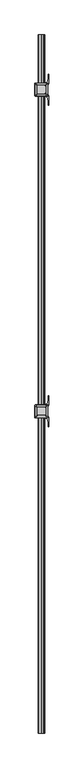
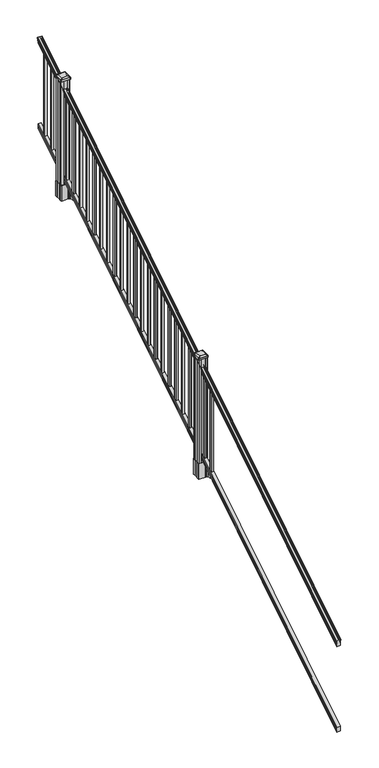
"""IFC4 building model written with IfcOpenShell, lengths in millimetres: railing geometry."""

from ifc_helpers import new_model, si_unit, point, frame, frame_2d, origin, place, context, project, spatial, polyline, circle_curve, ellipse_curve, trimmed, segment, composite_curve, outline, extrude, faceted_brep, source, transform, mapped, element, save
from ifc_brep_helpers import plane_surface, cylinder_surface, revolved_surface, extruded_surface, advanced_brep


def railing_d74df054(model_context):
    return source(origin(), model_context, "Body", "SolidModel", [
        advanced_brep(
        [(8835.6754996, -7669.8194681, 1133.2070492), (8838.2493284, -7669.8194681, 1133.2070492), (8838.2493284, -7669.8194681, 1120.6394336), (8837.2333284, -7669.8194681, 1119.441318), (8837.2333284, -7669.8194681, 1104.9), (8868.9833284, -7669.8194681, 1104.9), (8868.9833284, -7669.8194681, 1119.6274214), (8867.9673284, -7669.8194681, 1120.825537), (8867.9673284, -7669.8194681, 1133.2070492), (8870.5411571, -7669.8194681, 1133.2070492), (8870.5411571, -7669.8194681, 1135.4335658), (8871.6713434, -7669.8194681, 1137.2758543), (8871.6713434, -7669.8194681, 1145.7876358), (8871.022087, -7669.8194681, 1148.6572588), (8873.522087, -7669.8194681, 1153.7635509), (8874.9314295, -7669.8194681, 1155.7442021), (8875.3333285, -7669.8194681, 1157.0469579), (8875.3333284, -7669.8194681, 1158.6274846), (8873.7798811, -7669.8194681, 1160.4593836), (8853.1083284, -7669.8194681, 1160.4593836), (8832.4367756, -7669.8194681, 1160.4593836), (8830.8833284, -7669.8194681, 1158.6274846), (8830.8833284, -7669.8194681, 1157.0469579), (8831.2852273, -7669.8194681, 1155.7442021), (8832.6945697, -7669.8194681, 1153.7635509), (8835.1945697, -7669.8194681, 1148.6572588), (8834.5453133, -7669.8194681, 1145.7876358), (8834.5453133, -7669.8194681, 1137.2758543), (8835.6754996, -7669.8194681, 1135.4335658), (8835.6754996, -2793.0194681, 4181.2070492), (8835.6754996, -2793.0194681, 4183.4335658), (8834.5453133, -2793.0194681, 4185.2758543), (8834.5453133, -2793.0194681, 4193.7876358), (8835.1945697, -2793.0194681, 4196.6572588), (8832.6945697, -2793.0194681, 4201.7635509), (8831.2852273, -2793.0194681, 4203.7442021), (8830.8833283, -2793.0194681, 4205.0469579), (8830.8833284, -2793.0194681, 4206.6274846), (8832.4367756, -2793.0194681, 4208.4593836), (8853.1083284, -2793.0194681, 4208.4593836), (8873.7798811, -2793.0194681, 4208.4593836), (8875.3333284, -2793.0194681, 4206.6274846), (8875.3333284, -2793.0194681, 4205.0469579), (8874.9314295, -2793.0194681, 4203.7442021), (8873.522087, -2793.0194681, 4201.7635509), (8871.022087, -2793.0194681, 4196.6572588), (8871.6713434, -2793.0194681, 4193.7876358), (8871.6713434, -2793.0194681, 4185.2758543), (8870.5411571, -2793.0194681, 4183.4335658), (8870.5411571, -2793.0194681, 4181.2070492), (8867.9673284, -2793.0194681, 4181.2070492), (8867.9673284, -2793.0194681, 4168.825537), (8868.9833284, -2793.0194681, 4167.6274214), (8868.9833284, -2793.0194681, 4152.9), (8837.2333284, -2793.0194681, 4152.9), (8837.2333284, -2793.0194681, 4167.441318), (8838.2493284, -2793.0194681, 4168.6394336), (8838.2493284, -2793.0194681, 4181.2070492)],
        [
            (0, 1, ellipse_curve(frame((8836.962414, -7669.8194681, 1133.2070492), z_axis=(0.0, -1.0, 0.0), x_axis=(0.0, 0.0, -1.0)), 1.5175907, 1.2869144)),
            (1, 2),
            (2, 3),
            (3, 4),
            (4, 5),
            (5, 6),
            (6, 7),
            (7, 8),
            (8, 9, ellipse_curve(frame((8869.2542427, -7669.8194681, 1133.2070492), z_axis=(0.0, -1.0, 0.0), x_axis=(0.0, 0.0, -1.0)), 1.5175907, 1.2869144)),
            (9, 10),
            (10, 11, ellipse_curve(frame((8864.2264038, -7669.8194681, 1142.2239405), z_axis=(0.0, -1.0, 0.0), x_axis=(0.0, 0.0, -1.0)), 10.0777926, 8.545951)),
            (11, 12, ellipse_curve(frame((8864.6634668, -7669.8194681, 1141.5317451), z_axis=(0.0, -1.0, 0.0), x_axis=(0.0, 0.0, -1.0)), 9.2955186, 7.882584)),
            (12, 13, ellipse_curve(frame((8875.1767909, -7669.8194681, 1148.4275077), z_axis=(0.0, 1.0, 0.0), x_axis=(0.0, 0.0, 1.0)), 4.9048088, 4.1592695)),
            (13, 14, ellipse_curve(frame((8876.4640975, -7669.8194681, 1148.3563208), z_axis=(0.0, 1.0, 0.0), x_axis=(0.0, 0.0, 1.0)), 6.4245301, 5.4479907)),
            (14, 15, ellipse_curve(frame((8875.230939, -7669.8194681, 1153.7602333), z_axis=(0.0, 1.0, 0.0), x_axis=(0.0, 0.0, 1.0)), 2.0151625, 1.7088543)),
            (15, 16, ellipse_curve(frame((8873.6140389, -7669.8194681, 1157.0469579), z_axis=(0.0, -1.0, 0.0), x_axis=(0.0, 0.0, -1.0)), 2.0274681, 1.7192895)),
            (16, 17),
            (17, 18, ellipse_curve(frame((8873.7798811, -7669.8194681, 1158.6274846), z_axis=(0.0, -1.0, 0.0), x_axis=(0.0, 0.0, -1.0)), 1.831899, 1.5534472)),
            (18, 19),
            (19, 20),
            (20, 21, ellipse_curve(frame((8832.4367756, -7669.8194681, 1158.6274846), z_axis=(0.0, -1.0, 0.0), x_axis=(0.0, 0.0, -1.0)), 1.831899, 1.5534472)),
            (21, 22),
            (22, 23, ellipse_curve(frame((8832.6026178, -7669.8194681, 1157.0469579), z_axis=(0.0, -1.0, 0.0), x_axis=(0.0, 0.0, -1.0)), 2.0274681, 1.7192895)),
            (23, 24, ellipse_curve(frame((8830.9857177, -7669.8194681, 1153.7602333), z_axis=(0.0, 1.0, 0.0), x_axis=(0.0, 0.0, 1.0)), 2.0151625, 1.7088543)),
            (24, 25, ellipse_curve(frame((8829.7525593, -7669.8194681, 1148.3563208), z_axis=(0.0, 1.0, 0.0), x_axis=(0.0, 0.0, 1.0)), 6.4245301, 5.4479907)),
            (25, 26, ellipse_curve(frame((8831.0398658, -7669.8194681, 1148.4275077), z_axis=(0.0, 1.0, 0.0), x_axis=(0.0, 0.0, 1.0)), 4.9048088, 4.1592695)),
            (26, 27, ellipse_curve(frame((8841.55319, -7669.8194681, 1141.5317451), z_axis=(0.0, -1.0, 0.0), x_axis=(0.0, 0.0, -1.0)), 9.2955186, 7.882584)),
            (27, 28, ellipse_curve(frame((8841.9902529, -7669.8194681, 1142.2239405), z_axis=(0.0, -1.0, 0.0), x_axis=(0.0, 0.0, -1.0)), 10.0777926, 8.545951)),
            (28, 0),
            (29, 30),
            (30, 31, ellipse_curve(frame((8841.9902529, -2793.0194681, 4190.2239405), z_axis=(0.0, 1.0, 0.0), x_axis=(0.0, 0.0, -1.0)), 10.0777926, 8.545951)),
            (31, 32, ellipse_curve(frame((8841.55319, -2793.0194681, 4189.5317451), z_axis=(0.0, 1.0, 0.0), x_axis=(0.0, 0.0, -1.0)), 9.2955186, 7.882584)),
            (32, 33, ellipse_curve(frame((8831.0398658, -2793.0194681, 4196.4275077), z_axis=(0.0, -1.0, 0.0), x_axis=(0.0, 0.0, 1.0)), 4.9048088, 4.1592695)),
            (33, 34, ellipse_curve(frame((8829.7525593, -2793.0194681, 4196.3563208), z_axis=(0.0, -1.0, 0.0), x_axis=(0.0, 0.0, 1.0)), 6.4245301, 5.4479907)),
            (34, 35, ellipse_curve(frame((8830.9857177, -2793.0194681, 4201.7602333), z_axis=(0.0, -1.0, 0.0), x_axis=(0.0, 0.0, 1.0)), 2.0151625, 1.7088543)),
            (35, 36, ellipse_curve(frame((8832.6026178, -2793.0194681, 4205.0469579), z_axis=(0.0, 1.0, 0.0), x_axis=(0.0, 0.0, -1.0)), 2.0274681, 1.7192895)),
            (36, 37),
            (37, 38, ellipse_curve(frame((8832.4367756, -2793.0194681, 4206.6274846), z_axis=(0.0, 1.0, 0.0), x_axis=(0.0, 0.0, -1.0)), 1.831899, 1.5534472)),
            (38, 39),
            (39, 40),
            (40, 41, ellipse_curve(frame((8873.7798811, -2793.0194681, 4206.6274846), z_axis=(0.0, 1.0, 0.0), x_axis=(0.0, 0.0, -1.0)), 1.831899, 1.5534472)),
            (41, 42),
            (42, 43, ellipse_curve(frame((8873.6140389, -2793.0194681, 4205.0469579), z_axis=(0.0, 1.0, 0.0), x_axis=(0.0, 0.0, -1.0)), 2.0274681, 1.7192895)),
            (43, 44, ellipse_curve(frame((8875.230939, -2793.0194681, 4201.7602333), z_axis=(0.0, -1.0, 0.0), x_axis=(0.0, 0.0, 1.0)), 2.0151625, 1.7088543)),
            (44, 45, ellipse_curve(frame((8876.4640975, -2793.0194681, 4196.3563208), z_axis=(0.0, -1.0, 0.0), x_axis=(0.0, 0.0, 1.0)), 6.4245301, 5.4479907)),
            (45, 46, ellipse_curve(frame((8875.1767909, -2793.0194681, 4196.4275077), z_axis=(0.0, -1.0, 0.0), x_axis=(0.0, 0.0, 1.0)), 4.9048088, 4.1592695)),
            (46, 47, ellipse_curve(frame((8864.6634668, -2793.0194681, 4189.5317451), z_axis=(0.0, 1.0, 0.0), x_axis=(0.0, 0.0, -1.0)), 9.2955186, 7.882584)),
            (47, 48, ellipse_curve(frame((8864.2264038, -2793.0194681, 4190.2239405), z_axis=(0.0, 1.0, 0.0), x_axis=(0.0, 0.0, -1.0)), 10.0777926, 8.545951)),
            (48, 49),
            (49, 50, ellipse_curve(frame((8869.2542427, -2793.0194681, 4181.2070492), z_axis=(0.0, 1.0, 0.0), x_axis=(0.0, 0.0, -1.0)), 1.5175907, 1.2869144)),
            (50, 51),
            (51, 52),
            (52, 53),
            (53, 54),
            (54, 55),
            (55, 56),
            (56, 57),
            (57, 29, ellipse_curve(frame((8836.962414, -2793.0194681, 4181.2070492), z_axis=(0.0, 1.0, 0.0), x_axis=(0.0, 0.0, -1.0)), 1.5175907, 1.2869144)),
            (28, 30),
            (29, 0),
            (27, 31),
            (26, 32),
            (25, 33),
            (24, 34),
            (23, 35),
            (22, 36),
            (21, 37),
            (20, 38),
            (19, 39),
            (18, 40),
            (17, 41),
            (16, 42),
            (15, 43),
            (14, 44),
            (13, 45),
            (12, 46),
            (11, 47),
            (10, 48),
            (9, 49),
            (8, 50),
            (7, 51),
            (6, 52),
            (5, 53),
            (4, 54),
            (3, 55),
            (2, 56),
            (1, 57),
        ],
        [
            plane_surface(frame((8853.1083284, -7669.8194681, 1104.9), z_axis=(0.0, -1.0, 0.0), x_axis=(0.0, 0.0, 1.0))),
            plane_surface(frame((8853.1083284, -2793.0194681, 4152.9), z_axis=(0.0, 1.0, 0.0), x_axis=(0.0, 0.0, 1.0))),
            plane_surface(frame((8835.6754996, -7669.8194681, 1135.4335658), z_axis=(-1.0, 0.0, 0.0), x_axis=(0.0, 0.8479983040051254, 0.5299989400031202))),
            cylinder_surface(frame((8841.9902529, -7686.5942728, 1131.7396876), z_axis=(0.0, -0.8479983040051254, -0.5299989400031202), x_axis=(1.0, 0.0, 0.0)), 8.545951),
            cylinder_surface(frame((8841.55319, -7686.2831737, 1131.241929), z_axis=(0.0, -0.8479983040051254, -0.5299989400031202), x_axis=(1.0, 0.0, 0.0)), 7.882584),
            revolved_surface(polyline([(8835.1991353, -2790.8150596503465, 4197.805262980553), (8835.1991353, -7672.023876549438, 1147.0497524190998)]), (8831.0398658, -7689.3823929, 1136.2006797), (0.0, 0.8479983040051254, 0.5299989400031202)),
            revolved_surface(polyline([(8835.20055, -2790.132038835739, 4198.160964077182), (8835.20055, -7672.7068973528085, 1146.5516775044932)]), (8829.7525593, -7689.3503988, 1136.1494891), (0.0, 0.8479983040051254, 0.5299989400031202)),
            revolved_surface(polyline([(8832.694572, -2792.113777099782, 4202.326290199655), (8832.694572, -7670.725159122471, 1153.1941764359535)]), (8830.9857177, -7691.7791235, 1140.0354487), (0.0, 0.8479983040051254, 0.5299989400031202)),
            cylinder_surface(frame((8832.6026178, -7693.2563031, 1142.398936), z_axis=(0.0, -0.8479983040051254, -0.5299989400031202), x_axis=(1.0, 0.0, 0.0)), 1.7192895),
            plane_surface(frame((8830.8833284, -7669.8194681, 1158.6274846), z_axis=(-1.0, 0.0, 0.0), x_axis=(0.0, 0.8479983040051254, 0.5299989400031202))),
            cylinder_surface(frame((8832.4367756, -7693.9666522, 1143.5354945), z_axis=(0.0, -0.8479983040051254, -0.5299989400031202), x_axis=(1.0, 0.0, 0.0)), 1.5534472),
            plane_surface(frame((8853.1083284, -7669.8194681, 1160.4593836), z_axis=(0.0, -0.5299989400031202, 0.8479983040051254), x_axis=(0.0, 0.8479983040051254, 0.5299989400031202))),
            plane_surface(frame((8873.7798811, -7669.8194681, 1160.4593836), z_axis=(0.0, -0.5299989400031202, 0.8479983040051254), x_axis=(0.0, 0.8479983040051254, 0.5299989400031202))),
            cylinder_surface(frame((8873.7798811, -7693.9666522, 1143.5354945), z_axis=(0.0, -0.8479983040051254, -0.5299989400031202), x_axis=(-1.0, 0.0, 0.0)), 1.5534472),
            plane_surface(frame((8875.3333284, -7669.8194681, 1157.0469579), z_axis=(1.0, 0.0, 0.0), x_axis=(0.0, 0.8479983040051254, 0.5299989400031202))),
            cylinder_surface(frame((8873.6140389, -7693.2563031, 1142.398936), z_axis=(0.0, -0.8479983040051254, -0.5299989400031202), x_axis=(-1.0, 0.0, 0.0)), 1.7192895),
            revolved_surface(polyline([(8873.522084699998, -2792.113777099782, 4202.326290199655), (8873.522084699998, -7670.725159122471, 1153.1941764359535)]), (8875.230939, -7691.7791235, 1140.0354487), (0.0, 0.8479983040051254, 0.5299989400031202)),
            revolved_surface(polyline([(8871.0161068, -2790.132038835739, 4198.160964077182), (8871.0161068, -7672.7068973528085, 1146.5516775044932)]), (8876.4640975, -7689.3503988, 1136.1494891), (0.0, 0.8479983040051254, 0.5299989400031202)),
            revolved_surface(polyline([(8871.0175214, -2790.8150596503465, 4197.805262980553), (8871.0175214, -7672.023876549438, 1147.0497524190998)]), (8875.1767909, -7689.3823929, 1136.2006797), (0.0, 0.8479983040051254, 0.5299989400031202)),
            cylinder_surface(frame((8864.6634668, -7686.2831737, 1131.241929), z_axis=(0.0, -0.8479983040051254, -0.5299989400031202), x_axis=(-1.0, 0.0, 0.0)), 7.882584),
            cylinder_surface(frame((8864.2264038, -7686.5942728, 1131.7396876), z_axis=(0.0, -0.8479983040051254, -0.5299989400031202), x_axis=(-1.0, 0.0, 0.0)), 8.545951),
            plane_surface(frame((8870.5411571, -7669.8194681, 1133.2070492), z_axis=(1.0, 0.0, 0.0), x_axis=(0.0, 0.8479983040051254, 0.5299989400031202))),
            cylinder_surface(frame((8869.2542427, -7682.5417374, 1125.2556309), z_axis=(0.0, -0.8479983040051254, -0.5299989400031202), x_axis=(-1.0, 0.0, 0.0)), 1.2869144),
            plane_surface(frame((8867.9673284, -7669.8194681, 1120.825537), z_axis=(1.0, 0.0, 0.0), x_axis=(0.0, 0.8479983040051254, 0.5299989400031202))),
            plane_surface(frame((8868.9833284, -7669.8194681, 1119.6274214), z_axis=(0.7071067811865426, -0.3747658444978919, 0.5996253511967194), x_axis=(0.0, 0.8479983040051254, 0.5299989400031202))),
            plane_surface(frame((8868.9833284, -7669.8194681, 1104.9), z_axis=(1.0, 0.0, 0.0), x_axis=(0.0, 0.8479983040051254, 0.5299989400031202))),
            plane_surface(frame((8837.2333284, -7669.8194681, 1104.9), z_axis=(0.0, 0.5299989400031202, -0.8479983040051254), x_axis=(0.0, 0.8479983040051254, 0.5299989400031202))),
            plane_surface(frame((8837.2333284, -7669.8194681, 1119.441318), z_axis=(-1.0, 0.0, 0.0), x_axis=(0.0, 0.8479983040051254, 0.5299989400031202))),
            plane_surface(frame((8838.2493284, -7669.8194681, 1120.6394336), z_axis=(-0.7071067811865401, -0.3747658444978916, 0.5996253511967223), x_axis=(0.0, 0.8479983040051254, 0.5299989400031202))),
            plane_surface(frame((8838.2493284, -7669.8194681, 1133.2070492), z_axis=(-1.0, 0.0, 0.0), x_axis=(0.0, 0.8479983040051254, 0.5299989400031202))),
            cylinder_surface(frame((8836.962414, -7682.5417374, 1125.2556309), z_axis=(0.0, -0.8479983040051254, -0.5299989400031202), x_axis=(1.0, 0.0, 0.0)), 1.2869144),
        ],
        [
            (0, [[1, 2, 3, 4, 5, 6, 7, 8, 9, 10, 11, 12, 13, 14, 15, 16, 17, 18, 19, 20, 21, 22, 23, 24, 25, 26, 27, 28, 29]]),
            (1, [[30, 31, 32, 33, 34, 35, 36, 37, 38, 39, 40, 41, 42, 43, 44, 45, 46, 47, 48, 49, 50, 51, 52, 53, 54, 55, 56, 57, 58]]),
            (2, [[-29, 59, -30, 60]]),
            (3, [[-28, 61, -31, -59]]),
            (4, [[-27, 62, -32, -61]]),
            (5, [[-26, 63, -33, -62]]),
            (6, [[-25, 64, -34, -63]]),
            (7, [[-24, 65, -35, -64]]),
            (8, [[-23, 66, -36, -65]]),
            (9, [[-22, 67, -37, -66]]),
            (10, [[-21, 68, -38, -67]]),
            (11, [[-20, 69, -39, -68]]),
            (12, [[-19, 70, -40, -69]]),
            (13, [[-18, 71, -41, -70]]),
            (14, [[-17, 72, -42, -71]]),
            (15, [[-16, 73, -43, -72]]),
            (16, [[-15, 74, -44, -73]]),
            (17, [[-14, 75, -45, -74]]),
            (18, [[-13, 76, -46, -75]]),
            (19, [[-12, 77, -47, -76]]),
            (20, [[-11, 78, -48, -77]]),
            (21, [[-10, 79, -49, -78]]),
            (22, [[-9, 80, -50, -79]]),
            (23, [[-8, 81, -51, -80]]),
            (24, [[-7, 82, -52, -81]]),
            (25, [[-6, 83, -53, -82]]),
            (26, [[-5, 84, -54, -83]]),
            (27, [[-4, 85, -55, -84]]),
            (28, [[-3, 86, -56, -85]]),
            (29, [[-2, 87, -57, -86]]),
            (30, [[-1, -60, -58, -87]]),
        ],
    ),
        faceted_brep([(8837.1958415, -7669.8194681, 268.8045079), (8837.1958415, -7669.8194681, 254.0), (8868.9458415, -7669.8194681, 254.0), (8868.9458415, -7669.8194681, 268.7848772), (8867.9298415, -7669.8194681, 270.3748303), (8867.9298415, -7669.8194681, 282.5348741), (8868.9458415, -7669.8194681, 284.1248272), (8868.9458415, -7669.8194681, 298.9244744), (8837.1958415, -7669.8194681, 298.9244744), (8837.1958415, -7669.8194681, 284.1444579), (8838.2118415, -7669.8194681, 282.5545048), (8838.2118415, -7669.8194681, 270.338026), (8837.1958415, -2793.0194681, 3316.8045079), (8838.2118415, -2793.0194681, 3318.338026), (8838.2118415, -2793.0194681, 3330.5545048), (8837.1958415, -2793.0194681, 3332.1444579), (8837.1958415, -2793.0194681, 3346.9244744), (8868.9458415, -2793.0194681, 3346.9244744), (8868.9458415, -2793.0194681, 3332.1248272), (8867.9298415, -2793.0194681, 3330.5348741), (8867.9298415, -2793.0194681, 3318.3748303), (8868.9458415, -2793.0194681, 3316.7848772), (8868.9458415, -2793.0194681, 3302.0), (8837.1958415, -2793.0194681, 3302.0)], [[[0, 1, 2, 3, 4, 5, 6, 7, 8, 9, 10, 11]], [[12, 13, 14, 15, 16, 17, 18, 19, 20, 21, 22, 23]], [[0, 11, 13, 12]], [[11, 10, 14, 13]], [[10, 9, 15, 14]], [[9, 8, 16, 15]], [[8, 7, 17, 16]], [[7, 6, 18, 17]], [[6, 5, 19, 18]], [[5, 4, 20, 19]], [[4, 3, 21, 20]], [[3, 2, 22, 21]], [[2, 1, 23, 22]], [[1, 0, 12, 23]]]),
        extrude(outline(polyline([(8843.5833284, -2895.2544681), (8843.5833284, -2876.2044681), (8862.6333284, -2876.2044681), (8862.6333284, -2895.2544681), (8843.5833284, -2895.2544681)]), holes=[polyline([(8843.9802034, -2894.8575931), (8862.2364534, -2894.8575931), (8862.2364534, -2876.6013431), (8843.9802034, -2876.6013431), (8843.9802034, -2894.8575931)])]), frame((0.0, 0.0, 3282.1521281), z_axis=(0.0, 0.0, 1.0), x_axis=(1.0, 0.0, 0.0)), (0.0, 0.0, 1.0), 812.8041219),
        extrude(outline(polyline([(8843.5833284, -3006.5064681), (8843.5833284, -2987.4564681), (8862.6333284, -2987.4564681), (8862.6333284, -3006.5064681), (8843.5833284, -3006.5064681)]), holes=[polyline([(8843.9802034, -3006.1095931), (8862.2364534, -3006.1095931), (8862.2364534, -2987.8533431), (8843.9802034, -2987.8533431), (8843.9802034, -3006.1095931)])]), frame((0.0, 0.0, 3212.6196281), z_axis=(0.0, 0.0, 1.0), x_axis=(1.0, 0.0, 0.0)), (0.0, 0.0, 1.0), 812.8041219),
        extrude(outline(polyline([(8843.5833284, -3117.7584681), (8843.5833284, -3098.7084681), (8862.6333284, -3098.7084681), (8862.6333284, -3117.7584681), (8843.5833284, -3117.7584681)]), holes=[polyline([(8843.9802034, -3117.3615931), (8862.2364534, -3117.3615931), (8862.2364534, -3099.1053431), (8843.9802034, -3099.1053431), (8843.9802034, -3117.3615931)])]), frame((0.0, 0.0, 3143.0871281), z_axis=(0.0, 0.0, 1.0), x_axis=(1.0, 0.0, 0.0)), (0.0, 0.0, 1.0), 812.8041219),
        extrude(outline(composite_curve([segment(polyline([(8810.3728284, -3192.421563), (8810.3728284, -3157.6493732), (8808.7853284, -3156.8873732), (8808.7853284, -3134.0854452), (8812.1583054, -3130.7124681), (8873.6179763, -3130.7124681), (8873.6179763, -3129.7917181), (8878.9355201, -3129.7917181), (8878.9355201, -3128.3374634), (8884.0200498, -3128.3374634), (8884.0200498, -3127.0534396), (8885.6873221, -3127.0534396)]), True, "CONTINUOUS"), segment(trimmed(circle_curve(frame_2d((8885.6873221, -3119.9939797)), 7.0594599), [point((8885.6873221, -3127.0534396))], [point((8892.4545849, -3122.0039864))], True, "CARTESIAN"), True, "CONTINUOUS"), segment(polyline([(8892.4545849, -3122.0039864), (8900.3287792, -3095.4932573)]), True, "CONTINUOUS"), segment(trimmed(circle_curve(frame_2d((8845.5442659, -3079.2212076)), 57.15), [point((8900.3287792, -3095.4932573))], [point((8902.6942659, -3079.2212076))], True, "CARTESIAN"), True, "CONTINUOUS"), segment(polyline([(8902.6942659, -3079.2212076), (8902.6942659, -3067.2124681), (8905.6942659, -3067.2124681), (8905.6942659, -3132.2999681), (8897.4313284, -3143.6382594), (8897.4313284, -3156.8873732), (8895.8438284, -3157.6493732), (8895.8438284, -3192.421563), (8897.4313284, -3193.183563), (8897.4313284, -3206.4326768), (8905.6942659, -3217.7709681), (8905.6942659, -3282.8584681), (8902.6942659, -3282.8584681), (8902.6942659, -3270.8497285)]), True, "CONTINUOUS"), segment(trimmed(circle_curve(frame_2d((8845.5442659, -3270.8497285)), 57.15), [point((8902.6942659, -3270.8497285))], [point((8900.3287792, -3254.5776789))], True, "CARTESIAN"), True, "CONTINUOUS"), segment(polyline([(8900.3287792, -3254.5776789), (8892.4545849, -3228.0669498)]), True, "CONTINUOUS"), segment(trimmed(circle_curve(frame_2d((8885.6873221, -3230.0769565)), 7.0594599), [point((8892.4545849, -3228.0669498))], [point((8885.6873221, -3223.0174966))], True, "CARTESIAN"), True, "CONTINUOUS"), segment(polyline([(8885.6873221, -3223.0174966), (8884.0200498, -3223.0174966), (8884.0200498, -3221.7334728), (8878.9355201, -3221.7334728), (8878.9355201, -3220.2792181), (8873.6179763, -3220.2792181), (8873.6179763, -3219.3584681), (8812.1583054, -3219.3584681), (8808.7853284, -3215.985491), (8808.7853284, -3193.183563), (8810.3728284, -3192.421563)]), True, "CONTINUOUS")], self_intersect=False), holes=[polyline([(8894.3833284, -3135.3479681), (8892.7958284, -3133.7604681), (8855.8715458, -3133.7604681), (8813.4208284, -3133.7604681), (8811.8333284, -3135.3479681), (8811.8333284, -3214.7229681), (8813.4208284, -3216.3104681), (8855.8715458, -3216.3104681), (8892.7958284, -3216.3104681), (8894.3833284, -3214.7229681), (8894.3833284, -3135.3479681)])]), frame((0.0, 0.0, 2847.34), z_axis=(0.0, 0.0, 1.0), x_axis=(1.0, 0.0, 0.0)), (0.0, 0.0, 1.0), 152.4),
        advanced_brep(
        [(8878.9052034, -3204.0073431, 4059.679263), (8882.0802034, -3200.8323431, 4059.679263), (8882.0802034, -3149.2385931, 4059.679263), (8878.9052034, -3146.0635931, 4059.679263), (8827.3114534, -3146.0635931, 4059.679263), (8824.1364534, -3149.2385931, 4059.679263), (8824.1364534, -3200.8323431, 4059.679263), (8827.3114534, -3204.0073431, 4059.679263), (8895.1770784, -3220.2792181, 4048.376263), (8811.0395784, -3220.2792181, 4048.376263), (8807.8645784, -3217.1042181, 4048.376263), (8807.8645784, -3132.9667181, 4048.376263), (8811.0395784, -3129.7917181, 4048.376263), (8895.1770784, -3129.7917181, 4048.376263), (8898.3520784, -3132.9667181, 4048.376263), (8898.3520784, -3217.1042181, 4048.376263)],
        [
            (0, 1, circle_curve(frame((8878.9052034, -3200.8323431, 4059.679263), z_axis=(0.0, 0.0, 1.0), x_axis=(0.0, 1.0, 0.0)), 3.175)),
            (1, 2),
            (2, 3, circle_curve(frame((8878.9052034, -3149.2385931, 4059.679263), z_axis=(0.0, 0.0, 1.0), x_axis=(0.0, 1.0, 0.0)), 3.175)),
            (3, 4),
            (4, 5, circle_curve(frame((8827.3114534, -3149.2385931, 4059.679263), z_axis=(0.0, 0.0, 1.0), x_axis=(0.0, 1.0, 0.0)), 3.175)),
            (5, 6),
            (6, 7, circle_curve(frame((8827.3114534, -3200.8323431, 4059.679263), z_axis=(0.0, 0.0, 1.0), x_axis=(0.0, 1.0, 0.0)), 3.175)),
            (7, 0),
            (8, 9),
            (9, 10, circle_curve(frame((8811.0395784, -3217.1042181, 4048.376263), z_axis=(0.0, 0.0, -1.0), x_axis=(0.0, 1.0, 0.0)), 3.175)),
            (10, 11),
            (11, 12, circle_curve(frame((8811.0395784, -3132.9667181, 4048.376263), z_axis=(0.0, 0.0, -1.0), x_axis=(0.0, 1.0, 0.0)), 3.175)),
            (12, 13),
            (13, 14, circle_curve(frame((8895.1770784, -3132.9667181, 4048.376263), z_axis=(0.0, 0.0, -1.0), x_axis=(0.0, 1.0, 0.0)), 3.175)),
            (14, 15),
            (15, 8, circle_curve(frame((8895.1770784, -3217.1042181, 4048.376263), z_axis=(0.0, 0.0, -1.0), x_axis=(0.0, 1.0, 0.0)), 3.175)),
            (15, 1),
            (0, 8),
            (14, 2),
            (13, 3),
            (12, 4),
            (11, 5),
            (10, 6),
            (9, 7),
        ],
        [
            plane_surface(frame((8853.1083284, -3175.0354681, 4059.679263), z_axis=(0.0, 0.0, 1.0), x_axis=(1.0, 0.0, 0.0))),
            plane_surface(frame((8853.1083284, -3175.0354681, 4048.376263), z_axis=(0.0, 0.0, -1.0), x_axis=(1.0, 0.0, 0.0))),
            extruded_surface(trimmed(circle_curve(frame((8895.1770784, -3217.1042181, 4048.376263), z_axis=(0.0, 0.0, 1.0), x_axis=(0.0, 1.0, 0.0)), 3.175), [point((8895.1770784, -3220.2792181, 4048.376263))], [point((8898.3520784, -3217.1042181, 4048.376263))], True, "CARTESIAN"), (-16.271875000000364, 16.27187499999991, 11.302999999999884), 25.637972638866284),
            plane_surface(frame((8898.3520784, -3175.0354681, 4048.376263), z_axis=(0.5705009161540778, 0.0, 0.8212969649690408), x_axis=(0.0, 1.0, 0.0))),
            extruded_surface(trimmed(circle_curve(frame((8895.1770784, -3132.9667181, 4048.376263), z_axis=(0.0, 0.0, 1.0), x_axis=(0.0, 1.0, 0.0)), 3.175), [point((8898.3520784, -3132.9667181, 4048.376263))], [point((8895.1770784, -3129.7917181, 4048.376263))], True, "CARTESIAN"), (-16.271875000000364, -16.27187499999991, 11.302999999999884), 25.637972638866284),
            plane_surface(frame((8853.1083284, -3129.7917181, 4048.376263), z_axis=(0.0, 0.5705009161540291, 0.8212969649690747), x_axis=(-1.0, 0.0, 0.0))),
            extruded_surface(trimmed(circle_curve(frame((8811.0395784, -3132.9667181, 4048.376263), z_axis=(0.0, 0.0, 1.0), x_axis=(0.0, 1.0, 0.0)), 3.175), [point((8811.0395784, -3129.7917181, 4048.376263))], [point((8807.8645784, -3132.9667181, 4048.376263))], True, "CARTESIAN"), (16.271875000000364, -16.27187499999991, 11.302999999999884), 25.637972638866284),
            plane_surface(frame((8807.8645784, -3175.0354681, 4048.376263), z_axis=(-0.5705009161540142, 0.0, 0.8212969649690851), x_axis=(0.0, -1.0, 0.0))),
            extruded_surface(trimmed(circle_curve(frame((8811.0395784, -3217.1042181, 4048.376263), z_axis=(0.0, 0.0, 1.0), x_axis=(0.0, 1.0, 0.0)), 3.175), [point((8807.8645784, -3217.1042181, 4048.376263))], [point((8811.0395784, -3220.2792181, 4048.376263))], True, "CARTESIAN"), (16.271875000000364, 16.27187499999991, 11.302999999999884), 25.637972638866284),
            plane_surface(frame((8853.1083284, -3220.2792181, 4048.376263), z_axis=(0.0, -0.570500916154034, 0.8212969649690713), x_axis=(1.0, 0.0, 0.0))),
        ],
        [
            (0, [[1, 2, 3, 4, 5, 6, 7, 8]]),
            (1, [[9, 10, 11, 12, 13, 14, 15, 16]]),
            (2, [[-16, 17, -1, 18]]),
            (3, [[-15, 19, -2, -17]]),
            (4, [[-14, 20, -3, -19]]),
            (5, [[-13, 21, -4, -20]]),
            (6, [[-12, 22, -5, -21]]),
            (7, [[-11, 23, -6, -22]]),
            (8, [[-10, 24, -7, -23]]),
            (9, [[-9, -18, -8, -24]]),
        ],
    ),
        extrude(outline(composite_curve([segment(polyline([(8895.1770784, -3220.2792181), (8811.0395784, -3220.2792181)]), True, "CONTINUOUS"), segment(trimmed(circle_curve(frame_2d((8811.0395784, -3217.1042181)), 3.175), [point((8811.0395784, -3220.2792181))], [point((8807.8645784, -3217.1042181))], False, "CARTESIAN"), True, "CONTINUOUS"), segment(polyline([(8807.8645784, -3217.1042181), (8807.8645784, -3132.9667181)]), True, "CONTINUOUS"), segment(trimmed(circle_curve(frame_2d((8811.0395784, -3132.9667181)), 3.175), [point((8807.8645784, -3132.9667181))], [point((8811.0395784, -3129.7917181))], False, "CARTESIAN"), True, "CONTINUOUS"), segment(polyline([(8811.0395784, -3129.7917181), (8895.1770784, -3129.7917181)]), True, "CONTINUOUS"), segment(trimmed(circle_curve(frame_2d((8895.1770784, -3132.9667181)), 3.175), [point((8895.1770784, -3129.7917181))], [point((8898.3520784, -3132.9667181))], False, "CARTESIAN"), True, "CONTINUOUS"), segment(polyline([(8898.3520784, -3132.9667181), (8898.3520784, -3217.1042181)]), True, "CONTINUOUS"), segment(trimmed(circle_curve(frame_2d((8895.1770784, -3217.1042181)), 3.175), [point((8898.3520784, -3217.1042181))], [point((8895.1770784, -3220.2792181))], False, "CARTESIAN"), True, "CONTINUOUS")], self_intersect=False)), frame((0.0, 0.0, 4031.104263), z_axis=(0.0, 0.0, 1.0), x_axis=(1.0, 0.0, 0.0)), (0.0, 0.0, 1.0), 17.272),
        extrude(outline(polyline([(8892.7958284, -3216.3104681), (8873.1743284, -3216.3104681), (8872.4123284, -3214.7229681), (8833.8043284, -3214.7229681), (8833.0423284, -3216.3104681), (8813.4208284, -3216.3104681), (8811.8333284, -3214.7229681), (8811.8333284, -3195.1014681), (8813.4208284, -3194.3394681), (8813.4208284, -3155.7314681), (8811.8333284, -3154.9694681), (8811.8333284, -3135.3479681), (8813.4208284, -3133.7604681), (8833.0423284, -3133.7604681), (8833.8043284, -3135.3479681), (8872.4123284, -3135.3479681), (8873.1743284, -3133.7604681), (8892.7958284, -3133.7604681), (8894.3833284, -3135.3479681), (8894.3833284, -3154.9694681), (8892.7958284, -3155.7314681), (8892.7958284, -3194.3394681), (8894.3833284, -3195.1014681), (8894.3833284, -3214.7229681), (8892.7958284, -3216.3104681)])), frame((0.0, 0.0, 2999.74), z_axis=(0.0, 0.0, 1.0), x_axis=(1.0, 0.0, 0.0)), (0.0, 0.0, 1.0), 1031.364263),
        extrude(outline(polyline([(8843.5833284, -3251.3624681), (8843.5833284, -3232.3124681), (8862.6333284, -3232.3124681), (8862.6333284, -3251.3624681), (8843.5833284, -3251.3624681)]), holes=[polyline([(8843.9802034, -3250.9655931), (8862.2364534, -3250.9655931), (8862.2364534, -3232.7093431), (8843.9802034, -3232.7093431), (8843.9802034, -3250.9655931)])]), frame((0.0, 0.0, 3059.5846281), z_axis=(0.0, 0.0, 1.0), x_axis=(1.0, 0.0, 0.0)), (0.0, 0.0, 1.0), 812.8041219),
        extrude(outline(polyline([(8843.5833284, -3362.6144681), (8843.5833284, -3343.5644681), (8862.6333284, -3343.5644681), (8862.6333284, -3362.6144681), (8843.5833284, -3362.6144681)]), holes=[polyline([(8843.9802034, -3362.2175931), (8862.2364534, -3362.2175931), (8862.2364534, -3343.9613431), (8843.9802034, -3343.9613431), (8843.9802034, -3362.2175931)])]), frame((0.0, 0.0, 2990.0521281), z_axis=(0.0, 0.0, 1.0), x_axis=(1.0, 0.0, 0.0)), (0.0, 0.0, 1.0), 812.8041219),
        extrude(outline(polyline([(8843.5833284, -3473.8664681), (8843.5833284, -3454.8164681), (8862.6333284, -3454.8164681), (8862.6333284, -3473.8664681), (8843.5833284, -3473.8664681)]), holes=[polyline([(8843.9802034, -3473.4695931), (8862.2364534, -3473.4695931), (8862.2364534, -3455.2133431), (8843.9802034, -3455.2133431), (8843.9802034, -3473.4695931)])]), frame((0.0, 0.0, 2920.5196281), z_axis=(0.0, 0.0, 1.0), x_axis=(1.0, 0.0, 0.0)), (0.0, 0.0, 1.0), 812.8041219),
        extrude(outline(polyline([(8843.5833284, -3585.1184681), (8843.5833284, -3566.0684681), (8862.6333284, -3566.0684681), (8862.6333284, -3585.1184681), (8843.5833284, -3585.1184681)]), holes=[polyline([(8843.9802034, -3584.7215931), (8862.2364534, -3584.7215931), (8862.2364534, -3566.4653431), (8843.9802034, -3566.4653431), (8843.9802034, -3584.7215931)])]), frame((0.0, 0.0, 2850.9871281), z_axis=(0.0, 0.0, 1.0), x_axis=(1.0, 0.0, 0.0)), (0.0, 0.0, 1.0), 812.8041219),
        extrude(outline(polyline([(8843.5833284, -3696.3704681), (8843.5833284, -3677.3204681), (8862.6333284, -3677.3204681), (8862.6333284, -3696.3704681), (8843.5833284, -3696.3704681)]), holes=[polyline([(8843.9802034, -3695.9735931), (8862.2364534, -3695.9735931), (8862.2364534, -3677.7173431), (8843.9802034, -3677.7173431), (8843.9802034, -3695.9735931)])]), frame((0.0, 0.0, 2781.4546281), z_axis=(0.0, 0.0, 1.0), x_axis=(1.0, 0.0, 0.0)), (0.0, 0.0, 1.0), 812.8041219),
        extrude(outline(polyline([(8843.5833284, -3807.6224681), (8843.5833284, -3788.5724681), (8862.6333284, -3788.5724681), (8862.6333284, -3807.6224681), (8843.5833284, -3807.6224681)]), holes=[polyline([(8843.9802034, -3807.2255931), (8862.2364534, -3807.2255931), (8862.2364534, -3788.9693431), (8843.9802034, -3788.9693431), (8843.9802034, -3807.2255931)])]), frame((0.0, 0.0, 2711.9221281), z_axis=(0.0, 0.0, 1.0), x_axis=(1.0, 0.0, 0.0)), (0.0, 0.0, 1.0), 812.8041219),
        extrude(outline(polyline([(8843.5833284, -3918.8744681), (8843.5833284, -3899.8244681), (8862.6333284, -3899.8244681), (8862.6333284, -3918.8744681), (8843.5833284, -3918.8744681)]), holes=[polyline([(8843.9802034, -3918.4775931), (8862.2364534, -3918.4775931), (8862.2364534, -3900.2213431), (8843.9802034, -3900.2213431), (8843.9802034, -3918.4775931)])]), frame((0.0, 0.0, 2642.3896281), z_axis=(0.0, 0.0, 1.0), x_axis=(1.0, 0.0, 0.0)), (0.0, 0.0, 1.0), 812.8041219),
        extrude(outline(polyline([(8843.5833284, -4030.1264681), (8843.5833284, -4011.0764681), (8862.6333284, -4011.0764681), (8862.6333284, -4030.1264681), (8843.5833284, -4030.1264681)]), holes=[polyline([(8843.9802034, -4029.7295931), (8862.2364534, -4029.7295931), (8862.2364534, -4011.4733431), (8843.9802034, -4011.4733431), (8843.9802034, -4029.7295931)])]), frame((0.0, 0.0, 2572.8571281), z_axis=(0.0, 0.0, 1.0), x_axis=(1.0, 0.0, 0.0)), (0.0, 0.0, 1.0), 812.8041219),
        extrude(outline(polyline([(8843.5833284, -4141.3784681), (8843.5833284, -4122.3284681), (8862.6333284, -4122.3284681), (8862.6333284, -4141.3784681), (8843.5833284, -4141.3784681)]), holes=[polyline([(8843.9802034, -4140.9815931), (8862.2364534, -4140.9815931), (8862.2364534, -4122.7253431), (8843.9802034, -4122.7253431), (8843.9802034, -4140.9815931)])]), frame((0.0, 0.0, 2503.3246281), z_axis=(0.0, 0.0, 1.0), x_axis=(1.0, 0.0, 0.0)), (0.0, 0.0, 1.0), 812.8041219),
        extrude(outline(polyline([(8843.5833284, -4252.6304681), (8843.5833284, -4233.5804681), (8862.6333284, -4233.5804681), (8862.6333284, -4252.6304681), (8843.5833284, -4252.6304681)]), holes=[polyline([(8843.9802034, -4252.2335931), (8862.2364534, -4252.2335931), (8862.2364534, -4233.9773431), (8843.9802034, -4233.9773431), (8843.9802034, -4252.2335931)])]), frame((0.0, 0.0, 2433.7921281), z_axis=(0.0, 0.0, 1.0), x_axis=(1.0, 0.0, 0.0)), (0.0, 0.0, 1.0), 812.8041219),
        extrude(outline(polyline([(8843.5833284, -4363.8824681), (8843.5833284, -4344.8324681), (8862.6333284, -4344.8324681), (8862.6333284, -4363.8824681), (8843.5833284, -4363.8824681)]), holes=[polyline([(8843.9802034, -4363.4855931), (8862.2364534, -4363.4855931), (8862.2364534, -4345.2293431), (8843.9802034, -4345.2293431), (8843.9802034, -4363.4855931)])]), frame((0.0, 0.0, 2364.2596281), z_axis=(0.0, 0.0, 1.0), x_axis=(1.0, 0.0, 0.0)), (0.0, 0.0, 1.0), 812.8041219),
        extrude(outline(polyline([(8843.5833284, -4475.1344681), (8843.5833284, -4456.0844681), (8862.6333284, -4456.0844681), (8862.6333284, -4475.1344681), (8843.5833284, -4475.1344681)]), holes=[polyline([(8843.9802034, -4474.7375931), (8862.2364534, -4474.7375931), (8862.2364534, -4456.4813431), (8843.9802034, -4456.4813431), (8843.9802034, -4474.7375931)])]), frame((0.0, 0.0, 2294.7271281), z_axis=(0.0, 0.0, 1.0), x_axis=(1.0, 0.0, 0.0)), (0.0, 0.0, 1.0), 812.8041219),
        extrude(outline(polyline([(8843.5833284, -4586.3864681), (8843.5833284, -4567.3364681), (8862.6333284, -4567.3364681), (8862.6333284, -4586.3864681), (8843.5833284, -4586.3864681)]), holes=[polyline([(8843.9802034, -4585.9895931), (8862.2364534, -4585.9895931), (8862.2364534, -4567.7333431), (8843.9802034, -4567.7333431), (8843.9802034, -4585.9895931)])]), frame((0.0, 0.0, 2225.1946281), z_axis=(0.0, 0.0, 1.0), x_axis=(1.0, 0.0, 0.0)), (0.0, 0.0, 1.0), 812.8041219),
        extrude(outline(polyline([(8843.5833284, -4697.6384681), (8843.5833284, -4678.5884681), (8862.6333284, -4678.5884681), (8862.6333284, -4697.6384681), (8843.5833284, -4697.6384681)]), holes=[polyline([(8843.9802034, -4697.2415931), (8862.2364534, -4697.2415931), (8862.2364534, -4678.9853431), (8843.9802034, -4678.9853431), (8843.9802034, -4697.2415931)])]), frame((0.0, 0.0, 2155.6621281), z_axis=(0.0, 0.0, 1.0), x_axis=(1.0, 0.0, 0.0)), (0.0, 0.0, 1.0), 812.8041219),
        extrude(outline(polyline([(8843.5833284, -4808.8904681), (8843.5833284, -4789.8404681), (8862.6333284, -4789.8404681), (8862.6333284, -4808.8904681), (8843.5833284, -4808.8904681)]), holes=[polyline([(8843.9802034, -4808.4935931), (8862.2364534, -4808.4935931), (8862.2364534, -4790.2373431), (8843.9802034, -4790.2373431), (8843.9802034, -4808.4935931)])]), frame((0.0, 0.0, 2086.1296281), z_axis=(0.0, 0.0, 1.0), x_axis=(1.0, 0.0, 0.0)), (0.0, 0.0, 1.0), 812.8041219),
        extrude(outline(polyline([(8843.5833284, -4920.1424681), (8843.5833284, -4901.0924681), (8862.6333284, -4901.0924681), (8862.6333284, -4920.1424681), (8843.5833284, -4920.1424681)]), holes=[polyline([(8843.9802034, -4919.7455931), (8862.2364534, -4919.7455931), (8862.2364534, -4901.4893431), (8843.9802034, -4901.4893431), (8843.9802034, -4919.7455931)])]), frame((0.0, 0.0, 2016.5971281), z_axis=(0.0, 0.0, 1.0), x_axis=(1.0, 0.0, 0.0)), (0.0, 0.0, 1.0), 812.8041219),
        extrude(outline(polyline([(8843.5833284, -5031.3944681), (8843.5833284, -5012.3444681), (8862.6333284, -5012.3444681), (8862.6333284, -5031.3944681), (8843.5833284, -5031.3944681)]), holes=[polyline([(8843.9802034, -5030.9975931), (8862.2364534, -5030.9975931), (8862.2364534, -5012.7413431), (8843.9802034, -5012.7413431), (8843.9802034, -5030.9975931)])]), frame((0.0, 0.0, 1947.0646281), z_axis=(0.0, 0.0, 1.0), x_axis=(1.0, 0.0, 0.0)), (0.0, 0.0, 1.0), 812.8041219),
        extrude(outline(polyline([(8843.5833284, -5142.6464681), (8843.5833284, -5123.5964681), (8862.6333284, -5123.5964681), (8862.6333284, -5142.6464681), (8843.5833284, -5142.6464681)]), holes=[polyline([(8843.9802034, -5142.2495931), (8862.2364534, -5142.2495931), (8862.2364534, -5123.9933431), (8843.9802034, -5123.9933431), (8843.9802034, -5142.2495931)])]), frame((0.0, 0.0, 1877.5321281), z_axis=(0.0, 0.0, 1.0), x_axis=(1.0, 0.0, 0.0)), (0.0, 0.0, 1.0), 812.8041219),
        extrude(outline(polyline([(8843.5833284, -5253.8984681), (8843.5833284, -5234.8484681), (8862.6333284, -5234.8484681), (8862.6333284, -5253.8984681), (8843.5833284, -5253.8984681)]), holes=[polyline([(8843.9802034, -5253.5015931), (8862.2364534, -5253.5015931), (8862.2364534, -5235.2453431), (8843.9802034, -5235.2453431), (8843.9802034, -5253.5015931)])]), frame((0.0, 0.0, 1807.9996281), z_axis=(0.0, 0.0, 1.0), x_axis=(1.0, 0.0, 0.0)), (0.0, 0.0, 1.0), 812.8041219),
        extrude(outline(polyline([(8843.5833284, -5365.1504681), (8843.5833284, -5346.1004681), (8862.6333284, -5346.1004681), (8862.6333284, -5365.1504681), (8843.5833284, -5365.1504681)]), holes=[polyline([(8843.9802034, -5364.7535931), (8862.2364534, -5364.7535931), (8862.2364534, -5346.4973431), (8843.9802034, -5346.4973431), (8843.9802034, -5364.7535931)])]), frame((0.0, 0.0, 1738.4671281), z_axis=(0.0, 0.0, 1.0), x_axis=(1.0, 0.0, 0.0)), (0.0, 0.0, 1.0), 812.8041219),
        extrude(outline(composite_curve([segment(polyline([(8810.3728284, -5439.813563), (8810.3728284, -5405.0413732), (8808.7853284, -5404.2793732), (8808.7853284, -5381.4774452), (8812.1583054, -5378.1044681), (8873.6179763, -5378.1044681), (8873.6179763, -5377.1837181), (8878.9355201, -5377.1837181), (8878.9355201, -5375.7294634), (8884.0200498, -5375.7294634), (8884.0200498, -5374.4454396), (8885.6873221, -5374.4454396)]), True, "CONTINUOUS"), segment(trimmed(circle_curve(frame_2d((8885.6873221, -5367.3859797)), 7.0594599), [point((8885.6873221, -5374.4454396))], [point((8892.4545849, -5369.3959864))], True, "CARTESIAN"), True, "CONTINUOUS"), segment(polyline([(8892.4545849, -5369.3959864), (8900.3287792, -5342.8852573)]), True, "CONTINUOUS"), segment(trimmed(circle_curve(frame_2d((8845.5442659, -5326.6132076)), 57.15), [point((8900.3287792, -5342.8852573))], [point((8902.6942659, -5326.6132076))], True, "CARTESIAN"), True, "CONTINUOUS"), segment(polyline([(8902.6942659, -5326.6132076), (8902.6942659, -5314.6044681), (8905.6942659, -5314.6044681), (8905.6942659, -5379.6919681), (8897.4313284, -5391.0302594), (8897.4313284, -5404.2793732), (8895.8438284, -5405.0413732), (8895.8438284, -5439.813563), (8897.4313284, -5440.575563), (8897.4313284, -5453.8246768), (8905.6942659, -5465.1629681), (8905.6942659, -5530.2504681), (8902.6942659, -5530.2504681), (8902.6942659, -5518.2417285)]), True, "CONTINUOUS"), segment(trimmed(circle_curve(frame_2d((8845.5442659, -5518.2417285)), 57.15), [point((8902.6942659, -5518.2417285))], [point((8900.3287792, -5501.9696789))], True, "CARTESIAN"), True, "CONTINUOUS"), segment(polyline([(8900.3287792, -5501.9696789), (8892.4545849, -5475.4589498)]), True, "CONTINUOUS"), segment(trimmed(circle_curve(frame_2d((8885.6873221, -5477.4689565)), 7.0594599), [point((8892.4545849, -5475.4589498))], [point((8885.6873221, -5470.4094966))], True, "CARTESIAN"), True, "CONTINUOUS"), segment(polyline([(8885.6873221, -5470.4094966), (8884.0200498, -5470.4094966), (8884.0200498, -5469.1254728), (8878.9355201, -5469.1254728), (8878.9355201, -5467.6712181), (8873.6179763, -5467.6712181), (8873.6179763, -5466.7504681), (8812.1583054, -5466.7504681), (8808.7853284, -5463.377491), (8808.7853284, -5440.575563), (8810.3728284, -5439.813563)]), True, "CONTINUOUS")], self_intersect=False), holes=[polyline([(8894.3833284, -5382.7399681), (8892.7958284, -5381.1524681), (8855.8715458, -5381.1524681), (8813.4208284, -5381.1524681), (8811.8333284, -5382.7399681), (8811.8333284, -5462.1149681), (8813.4208284, -5463.7024681), (8855.8715458, -5463.7024681), (8892.7958284, -5463.7024681), (8894.3833284, -5462.1149681), (8894.3833284, -5382.7399681)])]), frame((0.0, 0.0, 1442.72), z_axis=(0.0, 0.0, 1.0), x_axis=(1.0, 0.0, 0.0)), (0.0, 0.0, 1.0), 152.4),
        advanced_brep(
        [(8878.9052034, -5451.3993431, 2655.059263), (8882.0802034, -5448.2243431, 2655.059263), (8882.0802034, -5396.6305931, 2655.059263), (8878.9052034, -5393.4555931, 2655.059263), (8827.3114534, -5393.4555931, 2655.059263), (8824.1364534, -5396.6305931, 2655.059263), (8824.1364534, -5448.2243431, 2655.059263), (8827.3114534, -5451.3993431, 2655.059263), (8895.1770784, -5467.6712181, 2643.756263), (8811.0395784, -5467.6712181, 2643.756263), (8807.8645784, -5464.4962181, 2643.756263), (8807.8645784, -5380.3587181, 2643.756263), (8811.0395784, -5377.1837181, 2643.756263), (8895.1770784, -5377.1837181, 2643.756263), (8898.3520784, -5380.3587181, 2643.756263), (8898.3520784, -5464.4962181, 2643.756263)],
        [
            (0, 1, circle_curve(frame((8878.9052034, -5448.2243431, 2655.059263), z_axis=(0.0, 0.0, 1.0), x_axis=(0.0, 1.0, 0.0)), 3.175)),
            (1, 2),
            (2, 3, circle_curve(frame((8878.9052034, -5396.6305931, 2655.059263), z_axis=(0.0, 0.0, 1.0), x_axis=(0.0, 1.0, 0.0)), 3.175)),
            (3, 4),
            (4, 5, circle_curve(frame((8827.3114534, -5396.6305931, 2655.059263), z_axis=(0.0, 0.0, 1.0), x_axis=(0.0, 1.0, 0.0)), 3.175)),
            (5, 6),
            (6, 7, circle_curve(frame((8827.3114534, -5448.2243431, 2655.059263), z_axis=(0.0, 0.0, 1.0), x_axis=(0.0, 1.0, 0.0)), 3.175)),
            (7, 0),
            (8, 9),
            (9, 10, circle_curve(frame((8811.0395784, -5464.4962181, 2643.756263), z_axis=(0.0, 0.0, -1.0), x_axis=(0.0, 1.0, 0.0)), 3.175)),
            (10, 11),
            (11, 12, circle_curve(frame((8811.0395784, -5380.3587181, 2643.756263), z_axis=(0.0, 0.0, -1.0), x_axis=(0.0, 1.0, 0.0)), 3.175)),
            (12, 13),
            (13, 14, circle_curve(frame((8895.1770784, -5380.3587181, 2643.756263), z_axis=(0.0, 0.0, -1.0), x_axis=(0.0, 1.0, 0.0)), 3.175)),
            (14, 15),
            (15, 8, circle_curve(frame((8895.1770784, -5464.4962181, 2643.756263), z_axis=(0.0, 0.0, -1.0), x_axis=(0.0, 1.0, 0.0)), 3.175)),
            (15, 1),
            (0, 8),
            (14, 2),
            (13, 3),
            (12, 4),
            (11, 5),
            (10, 6),
            (9, 7),
        ],
        [
            plane_surface(frame((8853.1083284, -5422.4274681, 2655.059263), z_axis=(0.0, 0.0, 1.0), x_axis=(1.0, 0.0, 0.0))),
            plane_surface(frame((8853.1083284, -5422.4274681, 2643.756263), z_axis=(0.0, 0.0, -1.0), x_axis=(1.0, 0.0, 0.0))),
            extruded_surface(trimmed(circle_curve(frame((8895.1770784, -5464.4962181, 2643.756263), z_axis=(0.0, 0.0, 1.0), x_axis=(0.0, 1.0, 0.0)), 3.175), [point((8895.1770784, -5467.6712181, 2643.756263))], [point((8898.3520784, -5464.4962181, 2643.756263))], True, "CARTESIAN"), (-16.271875000000364, 16.271875000000364, 11.302999999999884), 25.63797263886657),
            plane_surface(frame((8898.3520784, -5422.4274681, 2643.756263), z_axis=(0.5705009161540778, 0.0, 0.8212969649690408), x_axis=(0.0, 1.0, 0.0))),
            extruded_surface(trimmed(circle_curve(frame((8895.1770784, -5380.3587181, 2643.756263), z_axis=(0.0, 0.0, 1.0), x_axis=(0.0, 1.0, 0.0)), 3.175), [point((8898.3520784, -5380.3587181, 2643.756263))], [point((8895.1770784, -5377.1837181, 2643.756263))], True, "CARTESIAN"), (-16.271875000000364, -16.271874999999454, 11.302999999999884), 25.637972638865996),
            plane_surface(frame((8853.1083284, -5377.1837181, 2643.756263), z_axis=(0.0, 0.5705009161540291, 0.8212969649690747), x_axis=(-1.0, 0.0, 0.0))),
            extruded_surface(trimmed(circle_curve(frame((8811.0395784, -5380.3587181, 2643.756263), z_axis=(0.0, 0.0, 1.0), x_axis=(0.0, 1.0, 0.0)), 3.175), [point((8811.0395784, -5377.1837181, 2643.756263))], [point((8807.8645784, -5380.3587181, 2643.756263))], True, "CARTESIAN"), (16.271875000000364, -16.271874999999454, 11.302999999999884), 25.637972638865996),
            plane_surface(frame((8807.8645784, -5422.4274681, 2643.756263), z_axis=(-0.5705009161540142, 0.0, 0.8212969649690851), x_axis=(0.0, -1.0, 0.0))),
            extruded_surface(trimmed(circle_curve(frame((8811.0395784, -5464.4962181, 2643.756263), z_axis=(0.0, 0.0, 1.0), x_axis=(0.0, 1.0, 0.0)), 3.175), [point((8807.8645784, -5464.4962181, 2643.756263))], [point((8811.0395784, -5467.6712181, 2643.756263))], True, "CARTESIAN"), (16.271875000000364, 16.271875000000364, 11.302999999999884), 25.63797263886657),
            plane_surface(frame((8853.1083284, -5467.6712181, 2643.756263), z_axis=(0.0, -0.570500916154034, 0.8212969649690713), x_axis=(1.0, 0.0, 0.0))),
        ],
        [
            (0, [[1, 2, 3, 4, 5, 6, 7, 8]]),
            (1, [[9, 10, 11, 12, 13, 14, 15, 16]]),
            (2, [[-16, 17, -1, 18]]),
            (3, [[-15, 19, -2, -17]]),
            (4, [[-14, 20, -3, -19]]),
            (5, [[-13, 21, -4, -20]]),
            (6, [[-12, 22, -5, -21]]),
            (7, [[-11, 23, -6, -22]]),
            (8, [[-10, 24, -7, -23]]),
            (9, [[-9, -18, -8, -24]]),
        ],
    ),
        extrude(outline(composite_curve([segment(polyline([(8895.1770784, -5467.6712181), (8811.0395784, -5467.6712181)]), True, "CONTINUOUS"), segment(trimmed(circle_curve(frame_2d((8811.0395784, -5464.4962181)), 3.175), [point((8811.0395784, -5467.6712181))], [point((8807.8645784, -5464.4962181))], False, "CARTESIAN"), True, "CONTINUOUS"), segment(polyline([(8807.8645784, -5464.4962181), (8807.8645784, -5380.3587181)]), True, "CONTINUOUS"), segment(trimmed(circle_curve(frame_2d((8811.0395784, -5380.3587181)), 3.175), [point((8807.8645784, -5380.3587181))], [point((8811.0395784, -5377.1837181))], False, "CARTESIAN"), True, "CONTINUOUS"), segment(polyline([(8811.0395784, -5377.1837181), (8895.1770784, -5377.1837181)]), True, "CONTINUOUS"), segment(trimmed(circle_curve(frame_2d((8895.1770784, -5380.3587181)), 3.175), [point((8895.1770784, -5377.1837181))], [point((8898.3520784, -5380.3587181))], False, "CARTESIAN"), True, "CONTINUOUS"), segment(polyline([(8898.3520784, -5380.3587181), (8898.3520784, -5464.4962181)]), True, "CONTINUOUS"), segment(trimmed(circle_curve(frame_2d((8895.1770784, -5464.4962181)), 3.175), [point((8898.3520784, -5464.4962181))], [point((8895.1770784, -5467.6712181))], False, "CARTESIAN"), True, "CONTINUOUS")], self_intersect=False)), frame((0.0, 0.0, 2626.484263), z_axis=(0.0, 0.0, 1.0), x_axis=(1.0, 0.0, 0.0)), (0.0, 0.0, 1.0), 17.272),
        extrude(outline(polyline([(8892.7958284, -5463.7024681), (8873.1743284, -5463.7024681), (8872.4123284, -5462.1149681), (8833.8043284, -5462.1149681), (8833.0423284, -5463.7024681), (8813.4208284, -5463.7024681), (8811.8333284, -5462.1149681), (8811.8333284, -5442.4934681), (8813.4208284, -5441.7314681), (8813.4208284, -5403.1234681), (8811.8333284, -5402.3614681), (8811.8333284, -5382.7399681), (8813.4208284, -5381.1524681), (8833.0423284, -5381.1524681), (8833.8043284, -5382.7399681), (8872.4123284, -5382.7399681), (8873.1743284, -5381.1524681), (8892.7958284, -5381.1524681), (8894.3833284, -5382.7399681), (8894.3833284, -5402.3614681), (8892.7958284, -5403.1234681), (8892.7958284, -5441.7314681), (8894.3833284, -5442.4934681), (8894.3833284, -5462.1149681), (8892.7958284, -5463.7024681)])), frame((0.0, 0.0, 1595.12), z_axis=(0.0, 0.0, 1.0), x_axis=(1.0, 0.0, 0.0)), (0.0, 0.0, 1.0), 1031.364263),
        extrude(outline(polyline([(8843.5833284, -5498.7544681), (8843.5833284, -5479.7044681), (8862.6333284, -5479.7044681), (8862.6333284, -5498.7544681), (8843.5833284, -5498.7544681)]), holes=[polyline([(8843.9802034, -5498.3575931), (8862.2364534, -5498.3575931), (8862.2364534, -5480.1013431), (8843.9802034, -5480.1013431), (8843.9802034, -5498.3575931)])]), frame((0.0, 0.0, 1654.9646281), z_axis=(0.0, 0.0, 1.0), x_axis=(1.0, 0.0, 0.0)), (0.0, 0.0, 1.0), 812.8041219),
        extrude(outline(polyline([(8843.5833284, -5610.0064681), (8843.5833284, -5590.9564681), (8862.6333284, -5590.9564681), (8862.6333284, -5610.0064681), (8843.5833284, -5610.0064681)]), holes=[polyline([(8843.9802034, -5609.6095931), (8862.2364534, -5609.6095931), (8862.2364534, -5591.3533431), (8843.9802034, -5591.3533431), (8843.9802034, -5609.6095931)])]), frame((0.0, 0.0, 1585.4321281), z_axis=(0.0, 0.0, 1.0), x_axis=(1.0, 0.0, 0.0)), (0.0, 0.0, 1.0), 812.8041219),
    ])


if __name__ == "__main__":
    model = new_model("IFC4")
    model_context = context("Model", 3, world=origin())
    ifc_project = project(units=[si_unit("LENGTHUNIT", "METRE", prefix="MILLI")], contexts=[model_context])
    site = spatial("IfcSite", under=ifc_project)
    building = spatial("IfcBuilding", under=site)
    placement = place(None, origin())
    railing_shape = railing_d74df054(model_context)
    element("IfcRailing", 1, at=placement, inside=building, context=model_context, shape_type="MappedRepresentation", body=[
        mapped(railing_shape, transform((0.0, 0.0, 0.0), x_axis=(1.0, 0.0, 0.0), y_axis=(0.0, 1.0, 0.0), z_axis=(0.0, 0.0, 1.0))),
    ])
    save(model, "model.ifc")
